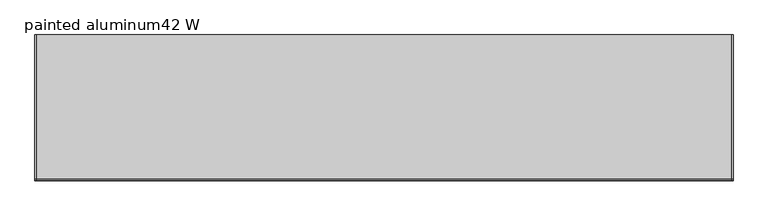
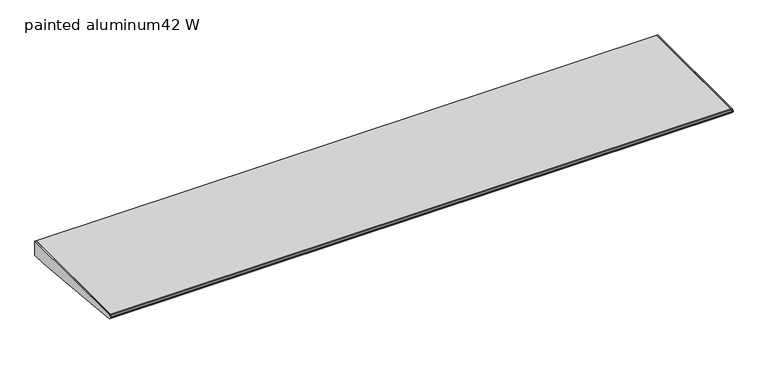
"""IFC4 building model written with IfcOpenShell, lengths in millimetres: furniture geometry, painted aluminum42 W."""

import ifcopenshell
import ifcopenshell.guid

model = None  # the IFC model being written
_history = None  # IfcOwnerHistory: only IFC2X3 demands one
_inside = {}  # id of a spatial element -> (the spatial element, [elements in it])
_under = {}  # id of a project, library or spatial element -> (it, [spatial elements below it])
_declared = {}  # id of a project -> (the project, [libraries it declares])
_typed = {}  # id of a type object -> (the type object, [elements of that type])
_made_of = {}  # id of a material, layer set ... -> (it, [elements and type objects made of it])


def new_model(schema):
    """Start an empty IFC model of exactly this schema.

    Asked for "IFC4X3", IfcOpenShell would pick the latest addendum, in which some entities
    have other attributes; the version numbers below select the first issue.
    IFC2X3 requires an IfcOwnerHistory on every rooted entity: one is made here for all.
    """
    global model, _history
    if schema == "IFC4X3":
        model = ifcopenshell.file(schema_version=(4, 3, 0, 0))
    else:
        model = ifcopenshell.file(schema=schema)
    _inside.clear()
    _under.clear()
    _declared.clear()
    _typed.clear()
    _made_of.clear()
    _history = None
    if model.schema == "IFC2X3":
        org = make("IfcOrganization", Name="unknown")
        user = make(
            "IfcPersonAndOrganization",
            ThePerson=make("IfcPerson", FamilyName="unknown"),
            TheOrganization=org,
        )
        app = make(
            "IfcApplication",
            ApplicationDeveloper=org,
            Version="unknown",
            ApplicationFullName="unknown",
            ApplicationIdentifier="unknown",
        )
        _history = make(
            "IfcOwnerHistory",
            OwningUser=user,
            OwningApplication=app,
            ChangeAction="ADDED",
            CreationDate=0,
        )
    return model


def make(cls, **values):
    """One entity of the class cls with the attributes given. An attribute that is None is left unset."""
    return model.create_entity(
        cls, **{name: value for name, value in values.items() if value is not None}
    )


def rooted(cls, **values):
    """An entity with a GlobalId (a new one), such as an element, a storey or a relation."""
    return make(cls, GlobalId=ifcopenshell.guid.new(), OwnerHistory=_history, **values)


def si_unit(unit_type, name, prefix=None):
    """IfcSIUnit, for example si_unit("LENGTHUNIT", "METRE", prefix="MILLI")."""
    return make("IfcSIUnit", UnitType=unit_type, Prefix=prefix, Name=name)


def assignment(units):
    """IfcUnitAssignment: the units of a project."""
    return None if units is None else make("IfcUnitAssignment", Units=units)


def point(xyz):
    """IfcCartesianPoint."""
    return None if xyz is None else make("IfcCartesianPoint", Coordinates=xyz)


def direction(xyz):
    """IfcDirection."""
    return None if xyz is None else make("IfcDirection", DirectionRatios=xyz)


def frame(location, z_axis=None, x_axis=None):
    """IfcAxis2Placement3D, a coordinate frame: its origin and axes. An axis left out is left unset."""
    return make(
        "IfcAxis2Placement3D",
        Location=point(location),
        Axis=direction(z_axis),
        RefDirection=direction(x_axis),
    )


def origin():
    """The frame at (0, 0, 0) with its axes left unset."""
    return frame((0.0, 0.0, 0.0))


def place(relative_to, where):
    """IfcLocalPlacement: puts the frame where relative to a parent placement (None: the world)."""
    return make(
        "IfcLocalPlacement", PlacementRelTo=relative_to, RelativePlacement=where
    )


def context(
    kind, dimensions, precision=None, world=None, true_north=None, identifier=None
):
    """IfcGeometricRepresentationContext, for example the 3D "Model" context."""
    return make(
        "IfcGeometricRepresentationContext",
        ContextIdentifier=identifier,
        ContextType=kind,
        CoordinateSpaceDimension=dimensions,
        Precision=precision,
        WorldCoordinateSystem=world,
        TrueNorth=true_north,
    )


def project(units=None, contexts=None):
    """IfcProject with its units and contexts."""
    return rooted(
        "IfcProject",
        Name="project",
        RepresentationContexts=contexts,
        UnitsInContext=assignment(units),
    )


def spatial(cls, under=None, at=None, **own):
    """A site, building, storey or space (cls), placed at a placement, below another one or the project."""
    s = rooted(cls, ObjectPlacement=at, **own)
    if under is not None:
        _under.setdefault(under.id(), (under, []))[1].append(s)
    return s


def polyline(points):
    """IfcPolyline through the points."""
    return make("IfcPolyline", Points=[point(p) for p in points])


def outline(outer, holes=None, kind="AREA"):
    """IfcArbitraryClosedProfileDef: a profile drawn as a closed curve; with holes, ...WithVoids."""
    if holes is None:
        return make("IfcArbitraryClosedProfileDef", ProfileType=kind, OuterCurve=outer)
    return make(
        "IfcArbitraryProfileDefWithVoids",
        ProfileType=kind,
        OuterCurve=outer,
        InnerCurves=holes,
    )


def extrude(swept, where, along, depth):
    """IfcExtrudedAreaSolid: the profile swept, set in the frame where, extruded along a direction by depth."""
    return make(
        "IfcExtrudedAreaSolid",
        SweptArea=swept,
        Position=where,
        ExtrudedDirection=direction(along),
        Depth=depth,
    )


def shape(context_of_items, identifier, shape_type, items):
    """IfcShapeRepresentation: the items that make up one representation, for example the "Body"."""
    return make(
        "IfcShapeRepresentation",
        ContextOfItems=context_of_items,
        RepresentationIdentifier=identifier,
        RepresentationType=shape_type,
        Items=items,
    )


def source(mapping_origin, context_of_items, identifier, shape_type, items):
    """IfcRepresentationMap: a shape defined once, which mapped items show again and again."""
    return make(
        "IfcRepresentationMap",
        MappingOrigin=mapping_origin,
        MappedRepresentation=shape(context_of_items, identifier, shape_type, items),
    )


def transform(
    local_origin,
    x_axis=None,
    y_axis=None,
    z_axis=None,
    scale=None,
    scale2=None,
    scale3=None,
    uniform=True,
):
    """IfcCartesianTransformationOperator3D, or its non-uniform kind. x_axis, y_axis, z_axis: its Axis1, 2, 3."""
    if uniform:
        return make(
            "IfcCartesianTransformationOperator3D",
            Axis1=direction(x_axis),
            Axis2=direction(y_axis),
            LocalOrigin=point(local_origin),
            Scale=scale,
            Axis3=direction(z_axis),
        )
    return make(
        "IfcCartesianTransformationOperator3DnonUniform",
        Axis1=direction(x_axis),
        Axis2=direction(y_axis),
        LocalOrigin=point(local_origin),
        Scale=scale,
        Axis3=direction(z_axis),
        Scale2=scale2,
        Scale3=scale3,
    )


def mapped(mapping_source, mapping_target):
    """IfcMappedItem: shows the shape of a source again, moved by a transform."""
    return make(
        "IfcMappedItem", MappingSource=mapping_source, MappingTarget=mapping_target
    )


def made_of(thing, what):
    """Note that an element or type object is made of a material, layer set ...; save() writes the relation."""
    if what is not None:
        _made_of.setdefault(what.id(), (what, []))[1].append(thing)
    return thing


def element(
    cls,
    number,
    at=None,
    inside=None,
    cuts=None,
    type_object=None,
    material=None,
    context=None,
    identifier="Body",
    shape_type=None,
    held_by="IfcProductDefinitionShape",
    body=None,
    shapes=None,
    **own,
):
    """One element of the class cls, such as IfcWall. Its Tag is "e" and its number.

    at: its placement. inside: the storey or other place that contains it. cuts: it is an
    opening in that element (IfcRelVoidsElement). A single representation is given by context,
    identifier, shape_type and body (its items); several are given by shapes. held_by: the class
    of the entity that holds the representations. save() writes the other relations.
    """
    e = rooted(cls, Tag="e%d" % number, ObjectPlacement=at, **own)
    if body is not None:
        shapes = [shape(context, identifier, shape_type, body)]
    if shapes is not None:
        e.Representation = make(held_by, Representations=shapes)
    if inside is not None:
        _inside.setdefault(inside.id(), (inside, []))[1].append(e)
    if cuts is not None:
        rooted(
            "IfcRelVoidsElement", RelatingBuildingElement=cuts, RelatedOpeningElement=e
        )
    if type_object is not None:
        _typed.setdefault(type_object.id(), (type_object, []))[1].append(e)
    return made_of(e, material)


def aggregate(whole, parts):
    """IfcRelAggregates: a whole, such as a stair, and the parts it consists of."""
    return rooted("IfcRelAggregates", RelatingObject=whole, RelatedObjects=parts)


def save(model, path):
    """Write the relations noted so far, then the file.

    IfcRelAggregates (storeys below a building ...), IfcRelContainedInSpatialStructure (elements
    in a storey), IfcRelDefinesByType, IfcRelAssociatesMaterial and IfcRelDeclares: one each for
    every whole, place, type object, material and project.
    """
    for whole, parts in _under.values():
        aggregate(whole, parts)
    for where, things in _inside.values():
        rooted(
            "IfcRelContainedInSpatialStructure",
            RelatedElements=things,
            RelatingStructure=where,
        )
    for kind, things in _typed.values():
        rooted("IfcRelDefinesByType", RelatedObjects=things, RelatingType=kind)
    for what, things in _made_of.values():
        rooted("IfcRelAssociatesMaterial", RelatedObjects=things, RelatingMaterial=what)
    for by, libraries in _declared.values():
        rooted("IfcRelDeclares", RelatingContext=by, RelatedDefinitions=libraries)
    model.write(path)


def painted_aluminum42_w_79f12c93(model_context):
    return source(origin(), model_context, "Body", "SweptSolid", [
        extrude(outline(polyline([(-222.022331, 1040.9111755), (-220.8911683, 1042.3755929), (-218.9431893, 1042.9875), (0.0, 1042.9875), (0.0, 1017.5875), (-25.3684852, 1017.5875), (-219.3540346, 1036.6527236), (-221.1050905, 1037.397868), (-222.1155121, 1039.0104581), (-222.022331, 1040.9111755)])), frame((1062.2279999, 0.0, 0.0), z_axis=(1.0, 0.0, 0.0), x_axis=(0.0, 1.0, 0.0)), (0.0, 0.0, 1.0), 2.032),
        extrude(outline(polyline([(-222.022331, 1040.9111755), (-220.8911683, 1042.3755929), (-218.9431893, 1042.9875), (0.0, 1042.9875), (0.0, 1017.5875), (-25.3684852, 1017.5875), (-219.3540346, 1036.6527236), (-221.1050905, 1037.397868), (-222.1155121, 1039.0104581), (-222.022331, 1040.9111755)])), frame((2.5400001, 0.0, 0.0), z_axis=(1.0, 0.0, 0.0), x_axis=(0.0, 1.0, 0.0)), (0.0, 0.0, 1.0), 2.032),
        extrude(outline(polyline([(0.0, 1042.9875), (0.0, 1017.5875), (-25.3684852, 1017.5875), (-219.3540346, 1036.6527236), (-221.1050905, 1037.397868), (-222.1155121, 1039.0104581), (-222.022331, 1040.9111755), (-220.8911683, 1042.3755929), (-218.9431893, 1042.9875), (0.0, 1042.9875)])), frame((4.5720001, 0.0, 0.0), z_axis=(1.0, 0.0, 0.0), x_axis=(0.0, 1.0, 0.0)), (0.0, 0.0, 1.0), 1057.6559997),
    ])


if __name__ == "__main__":
    model = new_model("IFC4")
    model_context = context("Model", 3, world=origin())
    ifc_project = project(units=[si_unit("LENGTHUNIT", "METRE", prefix="MILLI")], contexts=[model_context])
    site = spatial("IfcSite", under=ifc_project)
    building = spatial("IfcBuilding", under=site)
    placement = place(None, origin())
    painted_aluminum42_w_shape = painted_aluminum42_w_79f12c93(model_context)
    element("IfcFurniture", 1, ObjectType="painted aluminum42 W", at=placement, inside=building, context=model_context, shape_type="MappedRepresentation", body=[
        mapped(painted_aluminum42_w_shape, transform((0.0, 0.0, 0.0), x_axis=(1.0, 0.0, 0.0), y_axis=(0.0, 1.0, 0.0), z_axis=(0.0, 0.0, 1.0))),
    ])
    save(model, "model.ifc")
